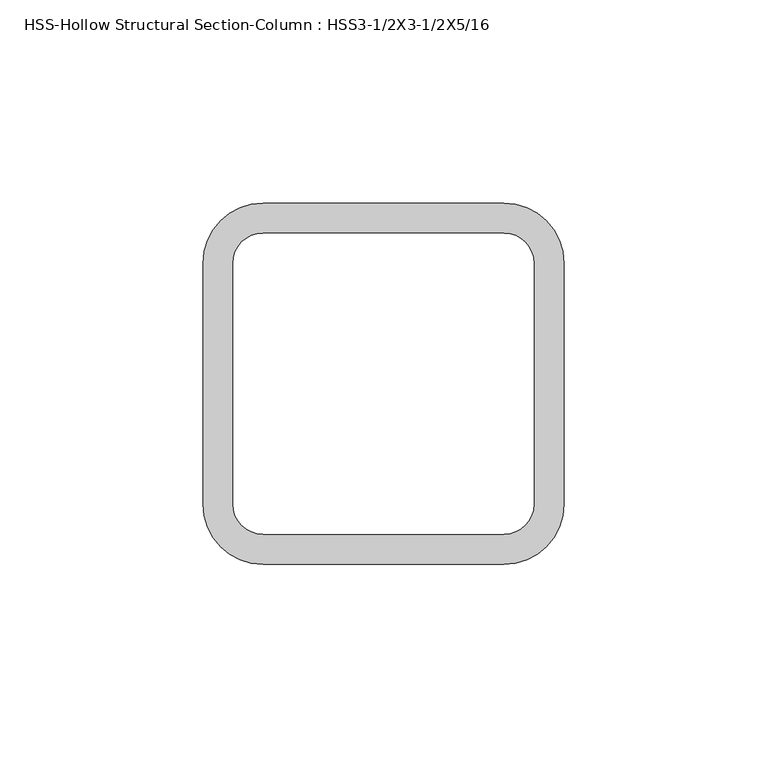
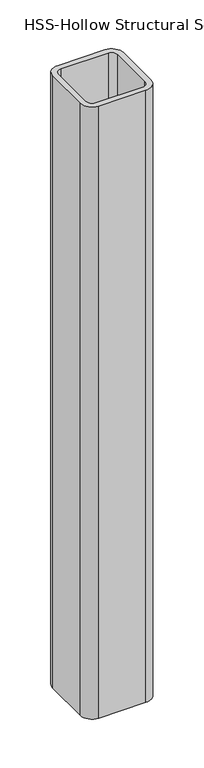
"""IFC4 building model written with IfcOpenShell, lengths in millimetres: column geometry, HSS-Hollow Structural Section-Column : HSS3-1/2X3-1/2X5/16."""

from ifc_helpers import new_model, si_unit, point, frame, frame_2d, origin, place, context, project, spatial, polyline, circle_curve, trimmed, segment, composite_curve, outline, extrude, source, transform, mapped, element, save


def hss_hollow_structural_section_column_hss3_1_2x3_1_2x5_16_e3de4f17(model_context):
    return source(origin(), model_context, "Body", "SweptSolid", [
        extrude(outline(composite_curve([segment(trimmed(circle_curve(frame_2d((29.6672, 29.6672)), 14.7828), [point((29.6672, 44.45))], [point((44.45, 29.6672))], False, "CARTESIAN"), True, "CONTINUOUS"), segment(polyline([(44.45, 29.6672), (44.45, -29.6672)]), True, "CONTINUOUS"), segment(trimmed(circle_curve(frame_2d((29.6672, -29.6672)), 14.7828), [point((44.45, -29.6672))], [point((29.6672, -44.45))], False, "CARTESIAN"), True, "CONTINUOUS"), segment(polyline([(29.6672, -44.45), (-29.6672, -44.45)]), True, "CONTINUOUS"), segment(trimmed(circle_curve(frame_2d((-29.6672, -29.6672)), 14.7828), [point((-29.6672, -44.45))], [point((-44.45, -29.6672))], False, "CARTESIAN"), True, "CONTINUOUS"), segment(polyline([(-44.45, -29.6672), (-44.45, 29.6672)]), True, "CONTINUOUS"), segment(trimmed(circle_curve(frame_2d((-29.6672, 29.6672)), 14.7828), [point((-44.45, 29.6672))], [point((-29.6672, 44.45))], False, "CARTESIAN"), True, "CONTINUOUS"), segment(polyline([(-29.6672, 44.45), (29.6672, 44.45)]), True, "CONTINUOUS")], self_intersect=False), holes=[composite_curve([segment(polyline([(29.6672, 37.0586), (-29.6672, 37.0586)]), True, "CONTINUOUS"), segment(trimmed(circle_curve(frame_2d((-29.6672, 29.6672)), 7.3914), [point((-29.6672, 37.0586))], [point((-37.0586, 29.6672))], True, "CARTESIAN"), True, "CONTINUOUS"), segment(polyline([(-37.0586, 29.6672), (-37.0586, -29.6672)]), True, "CONTINUOUS"), segment(trimmed(circle_curve(frame_2d((-29.6672, -29.6672)), 7.3914), [point((-37.0586, -29.6672))], [point((-29.6672, -37.0586))], True, "CARTESIAN"), True, "CONTINUOUS"), segment(polyline([(-29.6672, -37.0586), (29.6672, -37.0586)]), True, "CONTINUOUS"), segment(trimmed(circle_curve(frame_2d((29.6672, -29.6672)), 7.3914), [point((29.6672, -37.0586))], [point((37.0586, -29.6672))], True, "CARTESIAN"), True, "CONTINUOUS"), segment(polyline([(37.0586, -29.6672), (37.0586, 29.6672)]), True, "CONTINUOUS"), segment(trimmed(circle_curve(frame_2d((29.6672, 29.6672)), 7.3914), [point((37.0586, 29.6672))], [point((29.6672, 37.0586))], True, "CARTESIAN"), True, "CONTINUOUS")], self_intersect=False)]), frame((0.0, 0.0, 1828.8), z_axis=(0.0, 0.0, 1.0), x_axis=(1.0, 0.0, 0.0)), (0.0, 0.0, 1.0), 812.8),
    ])


if __name__ == "__main__":
    model = new_model("IFC4")
    model_context = context("Model", 3, world=origin())
    ifc_project = project(units=[si_unit("LENGTHUNIT", "METRE", prefix="MILLI")], contexts=[model_context])
    site = spatial("IfcSite", under=ifc_project)
    building = spatial("IfcBuilding", under=site)
    placement = place(None, origin())
    hss_hollow_structural_section_column_hss3_1_2x3_1_2x5_16_shape = hss_hollow_structural_section_column_hss3_1_2x3_1_2x5_16_e3de4f17(model_context)
    element("IfcColumn", 1, ObjectType="HSS-Hollow Structural Section-Column : HSS3-1/2X3-1/2X5/16", at=placement, inside=building, context=model_context, shape_type="MappedRepresentation", body=[
        mapped(hss_hollow_structural_section_column_hss3_1_2x3_1_2x5_16_shape, transform((0.0, 0.0, 0.0), x_axis=(1.0, 0.0, 0.0), y_axis=(0.0, 1.0, 0.0), z_axis=(0.0, 0.0, 1.0))),
    ])
    save(model, "model.ifc")
